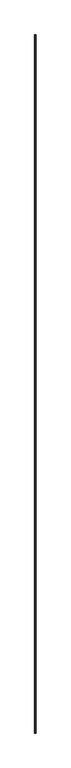
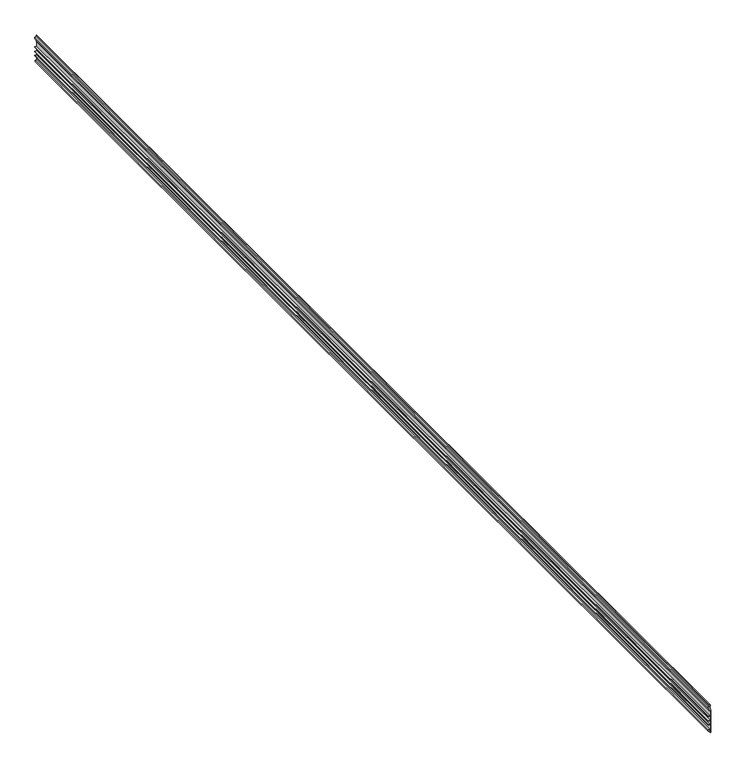
"""IFC4 building model written with IfcOpenShell, lengths in millimetres: proxy geometry."""

from ifc_helpers import new_model, si_unit, frame, origin, place, context, project, spatial, polyline, outline, extrude, source, transform, mapped, element, save


def generic_models_11c7ac23(model_context):
    return source(origin(), model_context, "Body", "SweptSolid", [
        extrude(outline(polyline([(3117.8569019, 38255.1648517), (3117.8569019, 38258.3398517), (3251.2069019, 38258.3398517), (3251.2069019, 38255.1648517), (3263.9069019, 38255.1648517), (3266.4359786, 38249.7412292), (3270.9028252, 38249.7412292), (3273.4319019, 38255.1648517), (3282.9569019, 38255.1648517), (3282.9569019, 38251.9898517), (3275.4545999, 38251.9898517), (3272.6385724, 38245.9508611), (3264.7002314, 38245.9508611), (3261.8842038, 38251.9898517), (3248.0319019, 38251.9898517), (3248.0319019, 38255.1648517), (3217.0756519, 38255.1648517), (3217.0756519, 38245.6398517), (3213.9006519, 38245.6398517), (3213.9006519, 38255.1648517), (3191.6756519, 38255.1648517), (3191.6756519, 38245.6398517), (3188.5006519, 38245.6398517), (3188.5006519, 38255.1648517), (3166.2756519, 38255.1648517), (3166.2756519, 38245.6398517), (3163.1006519, 38245.6398517), (3163.1006519, 38255.1648517), (3137.7006519, 38255.1648517), (3137.7006519, 38246.3544132), (3128.1756519, 38246.3544132), (3128.1756519, 38250.2518612), (3134.5256519, 38250.2518612), (3134.5256519, 38255.1648517), (3117.8569019, 38255.1648517)])), frame((0.0, -25196.3529893, 0.0), z_axis=(0.0, 1.0, 0.0), x_axis=(0.0, 0.0, 1.0)), (0.0, 0.0, 1.0), 6533.92),
    ])


if __name__ == "__main__":
    model = new_model("IFC4")
    model_context = context("Model", 3, world=origin())
    ifc_project = project(units=[si_unit("LENGTHUNIT", "METRE", prefix="MILLI")], contexts=[model_context])
    site = spatial("IfcSite", under=ifc_project)
    building = spatial("IfcBuilding", under=site)
    placement = place(None, origin())
    generic_models_shape = generic_models_11c7ac23(model_context)
    element("IfcBuildingElementProxy", 1, Name="Generic Models", at=placement, inside=building, context=model_context, shape_type="MappedRepresentation", body=[
        mapped(generic_models_shape, transform((0.0, 0.0, 0.0), x_axis=(1.0, 0.0, 0.0), y_axis=(0.0, 1.0, 0.0), z_axis=(0.0, 0.0, 1.0))),
    ])
    save(model, "model.ifc")
